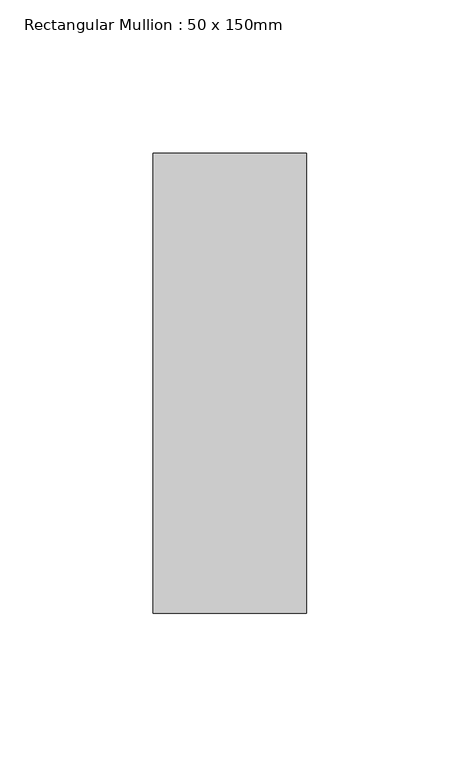
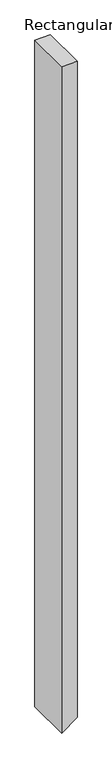
"""IFC4 building model written with IfcOpenShell, lengths in millimetres: member geometry, Rectangular Mullion : 50 x 150mm."""

from ifc_helpers import new_model, si_unit, frame, origin, place, context, project, spatial, polyline, outline, extrude, source, transform, mapped, element, save


def rectangular_mullion_50_x_150mm_b9b35d2f(model_context):
    return source(origin(), model_context, "Body", "SweptSolid", [
        extrude(outline(polyline([(0.0, 25.0), (0.0, -25.0), (-2285.756166, -25.0), (-2248.9898646, 25.0), (0.0, 25.0)])), frame((0.0, -75.0, 0.0), z_axis=(0.0, 1.0, 0.0), x_axis=(0.0, 0.0, 1.0)), (0.0, 0.0, 1.0), 150.0),
    ])


if __name__ == "__main__":
    model = new_model("IFC4")
    model_context = context("Model", 3, world=origin())
    ifc_project = project(units=[si_unit("LENGTHUNIT", "METRE", prefix="MILLI")], contexts=[model_context])
    site = spatial("IfcSite", under=ifc_project)
    building = spatial("IfcBuilding", under=site)
    placement = place(None, origin())
    rectangular_mullion_50_x_150mm_shape = rectangular_mullion_50_x_150mm_b9b35d2f(model_context)
    element("IfcMember", 1, ObjectType="Rectangular Mullion : 50 x 150mm", at=placement, inside=building, context=model_context, shape_type="MappedRepresentation", body=[
        mapped(rectangular_mullion_50_x_150mm_shape, transform((0.0, 0.0, 0.0), x_axis=(1.0, 0.0, 0.0), y_axis=(0.0, 1.0, 0.0), z_axis=(0.0, 0.0, 1.0))),
    ])
    save(model, "model.ifc")
